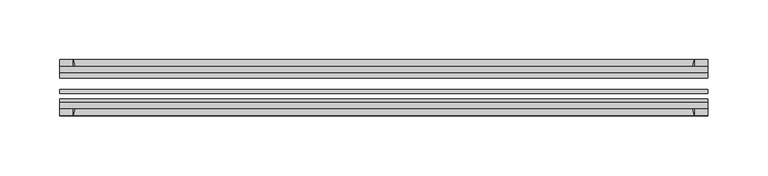
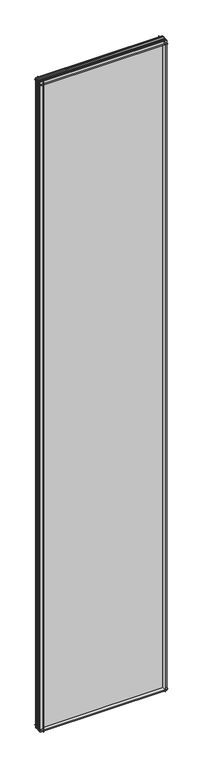
"""IFC4 building model written with IfcOpenShell, lengths in millimetres: plate geometry."""

from ifc_helpers import new_model, si_unit, point, frame, frame_2d, origin, place, context, project, spatial, polyline, circle_curve, trimmed, segment, composite_curve, outline, extrude, source, transform, mapped, element, save


def plate_f8da017f(model_context):
    return source(origin(), model_context, "Body", "SweptSolid", [
        extrude(outline(composite_curve([segment(polyline([(-74.653775, 0.0), (-80.586498, 0.0)]), True, "CONTINUOUS"), segment(trimmed(circle_curve(frame_2d((-86.2543953, 32.273404)), 32.7673262), [point((-80.586498, 0.0))], [point((-69.878575, 3.8915405))], True, "CARTESIAN"), True, "CONTINUOUS"), segment(polyline([(-69.878575, 3.8915405), (-69.878575, -10.31875), (-74.653775, -10.31875), (-74.653775, 0.0)]), True, "CONTINUOUS")], self_intersect=False)), frame((-271.4625, 0.0, 0.0), z_axis=(1.0, 0.0, 0.0), x_axis=(0.0, 1.0, 0.0)), (0.0, 0.0, 1.0), 542.925),
        extrude(outline(composite_curve([segment(polyline([(-44.478575, -10.31875), (-44.478575, 3.8915405)]), True, "CONTINUOUS"), segment(trimmed(circle_curve(frame_2d((-28.1027547, 32.273404)), 32.7673262), [point((-44.478575, 3.8915405))], [point((-33.770652, 0.0))], True, "CARTESIAN"), True, "CONTINUOUS"), segment(polyline([(-33.770652, 0.0), (-39.703375, 0.0), (-39.703375, -10.31875), (-44.478575, -10.31875)]), True, "CONTINUOUS")], self_intersect=False)), frame((-271.4625, 0.0, 0.0), z_axis=(1.0, 0.0, 0.0), x_axis=(0.0, 1.0, 0.0)), (0.0, 0.0, 1.0), 542.925),
        extrude(outline(composite_curve([segment(trimmed(circle_curve(frame_2d((-86.2543953, 2882.370246)), 32.7673262), [point((-69.878575, 2910.7521095))], [point((-80.622775, 2914.65))], True, "CARTESIAN"), True, "CONTINUOUS"), segment(polyline([(-80.622775, 2914.65), (-74.653775, 2914.65), (-74.653775, 2925.7625), (-69.878575, 2925.7625), (-69.878575, 2910.7521095)]), True, "CONTINUOUS")], self_intersect=False)), frame((-271.4625, 0.0, 0.0), z_axis=(1.0, 0.0, 0.0), x_axis=(0.0, 1.0, 0.0)), (0.0, 0.0, 1.0), 542.925),
        extrude(outline(composite_curve([segment(polyline([(-44.478575, 2910.7521095), (-44.478575, 2925.7625), (-39.703375, 2925.7625), (-39.703375, 2914.65), (-33.734375, 2914.65)]), True, "CONTINUOUS"), segment(trimmed(circle_curve(frame_2d((-28.1027547, 2882.370246)), 32.7673262), [point((-33.734375, 2914.65))], [point((-44.478575, 2910.7521095))], True, "CARTESIAN"), True, "CONTINUOUS")], self_intersect=False)), frame((-271.4625, 0.0, 0.0), z_axis=(1.0, 0.0, 0.0), x_axis=(0.0, 1.0, 0.0)), (0.0, 0.0, 1.0), 542.925),
        extrude(outline(composite_curve([segment(polyline([(256.4521095, -69.878575), (271.4625, -69.878575), (271.4625, -74.653775), (260.35, -74.653775), (260.35, -80.622775)]), True, "CONTINUOUS"), segment(trimmed(circle_curve(frame_2d((228.070246, -86.2543953)), 32.7673262), [point((260.35, -80.622775))], [point((256.4521095, -69.878575))], True, "CARTESIAN"), True, "CONTINUOUS")], self_intersect=False)), frame((0.0, 0.0, -10.31875), z_axis=(0.0, 0.0, 1.0), x_axis=(1.0, 0.0, 0.0)), (0.0, 0.0, 1.0), 2936.08125),
        extrude(outline(composite_curve([segment(trimmed(circle_curve(frame_2d((228.070246, -28.1027547)), 32.7673262), [point((256.4521095, -44.478575))], [point((260.35, -33.734375))], True, "CARTESIAN"), True, "CONTINUOUS"), segment(polyline([(260.35, -33.734375), (260.35, -39.703375), (271.4625, -39.703375), (271.4625, -44.478575), (256.4521095, -44.478575)]), True, "CONTINUOUS")], self_intersect=False)), frame((0.0, 0.0, -10.31875), z_axis=(0.0, 0.0, 1.0), x_axis=(1.0, 0.0, 0.0)), (0.0, 0.0, 1.0), 2936.08125),
        extrude(outline(composite_curve([segment(trimmed(circle_curve(frame_2d((-228.070246, -86.2543953)), 32.7673262), [point((-256.4521095, -69.878575))], [point((-260.35, -80.622775))], True, "CARTESIAN"), True, "CONTINUOUS"), segment(polyline([(-260.35, -80.622775), (-260.35, -74.653775), (-271.4625, -74.653775), (-271.4625, -69.878575), (-256.4521095, -69.878575)]), True, "CONTINUOUS")], self_intersect=False)), frame((0.0, 0.0, -10.31875), z_axis=(0.0, 0.0, 1.0), x_axis=(1.0, 0.0, 0.0)), (0.0, 0.0, 1.0), 2936.08125),
        extrude(outline(composite_curve([segment(polyline([(-256.4521095, -44.478575), (-271.4625, -44.478575), (-271.4625, -39.703375), (-260.35, -39.703375), (-260.35, -33.734375)]), True, "CONTINUOUS"), segment(trimmed(circle_curve(frame_2d((-228.070246, -28.1027547)), 32.7673262), [point((-260.35, -33.734375))], [point((-256.4521095, -44.478575))], True, "CARTESIAN"), True, "CONTINUOUS")], self_intersect=False)), frame((0.0, 0.0, -10.31875), z_axis=(0.0, 0.0, 1.0), x_axis=(1.0, 0.0, 0.0)), (0.0, 0.0, 1.0), 2936.08125),
        extrude(outline(polyline([(-271.4625, -44.478575), (271.4625, -44.478575), (271.4625, -49.241075), (-271.4625, -49.241075), (-271.4625, -44.478575)])), frame((0.0, 0.0, -10.31875), z_axis=(0.0, 0.0, 1.0), x_axis=(1.0, 0.0, 0.0)), (0.0, 0.0, 1.0), 2936.08125),
        extrude(outline(polyline([(271.4625, -58.956575), (271.4625, -62.131575), (-271.4625, -62.131575), (-271.4625, -58.956575), (271.4625, -58.956575)])), frame((0.0, 0.0, -10.31875), z_axis=(0.0, 0.0, 1.0), x_axis=(1.0, 0.0, 0.0)), (0.0, 0.0, 1.0), 2936.08125),
        extrude(outline(polyline([(-271.4625, -66.703575), (271.4625, -66.703575), (271.4625, -69.878575), (-271.4625, -69.878575), (-271.4625, -66.703575)])), frame((0.0, 0.0, -10.31875), z_axis=(0.0, 0.0, 1.0), x_axis=(1.0, 0.0, 0.0)), (0.0, 0.0, 1.0), 2936.08125),
    ])


if __name__ == "__main__":
    model = new_model("IFC4")
    model_context = context("Model", 3, world=origin())
    ifc_project = project(units=[si_unit("LENGTHUNIT", "METRE", prefix="MILLI")], contexts=[model_context])
    site = spatial("IfcSite", under=ifc_project)
    building = spatial("IfcBuilding", under=site)
    placement = place(None, origin())
    plate_shape = plate_f8da017f(model_context)
    element("IfcPlate", 1, at=placement, inside=building, context=model_context, shape_type="MappedRepresentation", body=[
        mapped(plate_shape, transform((0.0, 0.0, 0.0), x_axis=(1.0, 0.0, 0.0), y_axis=(0.0, 1.0, 0.0), z_axis=(0.0, 0.0, 1.0))),
    ])
    save(model, "model.ifc")
